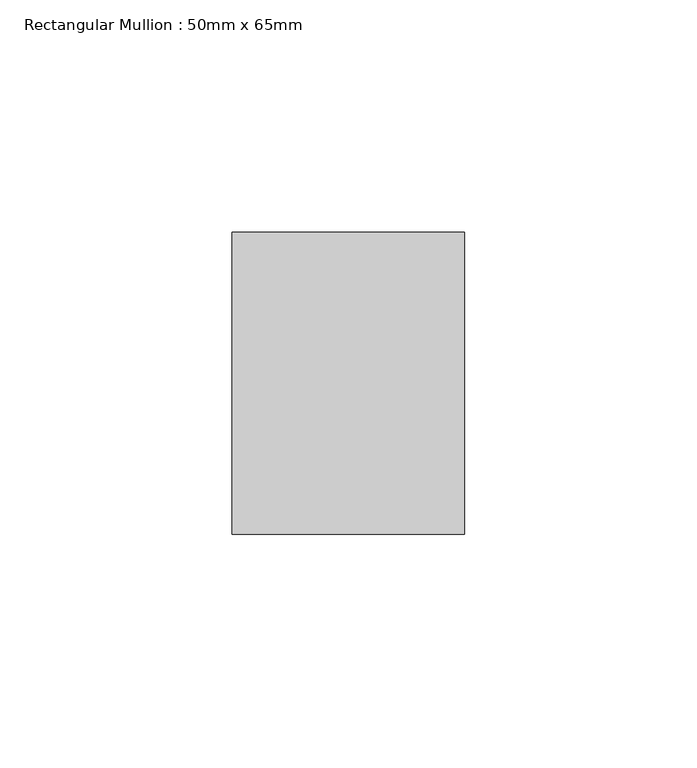
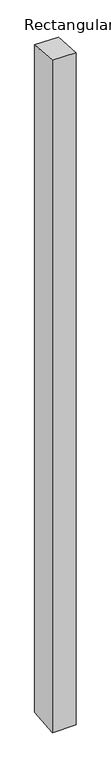
"""IFC4 building model written with IfcOpenShell, lengths in millimetres: member geometry, Rectangular Mullion : 50mm x 65mm."""

from ifc_helpers import new_model, si_unit, origin, place, context, project, spatial, faceted_brep, source, transform, mapped, element, save


def rectangular_mullion_50mm_x_65mm_3984ca22(model_context):
    return source(origin(), model_context, "Body", "Brep", [
        faceted_brep([(-25.0, 32.5, -2.4319525), (25.0, 32.5, -2.431946), (25.0, 32.5, -1497.0086972), (-25.0, 32.5, -1497.0086892), (-25.0, -32.5, 2.431946), (-25.0, -32.5, -1502.9909992), (25.0, -32.5, 2.4319525), (25.0, -32.5, -1502.9910072)], [[[0, 1, 2, 3]], [[4, 0, 3, 5]], [[6, 4, 5, 7]], [[1, 6, 7, 2]], [[1, 0, 4, 6]], [[2, 7, 5, 3]]]),
    ])


if __name__ == "__main__":
    model = new_model("IFC4")
    model_context = context("Model", 3, world=origin())
    ifc_project = project(units=[si_unit("LENGTHUNIT", "METRE", prefix="MILLI")], contexts=[model_context])
    site = spatial("IfcSite", under=ifc_project)
    building = spatial("IfcBuilding", under=site)
    placement = place(None, origin())
    rectangular_mullion_50mm_x_65mm_shape = rectangular_mullion_50mm_x_65mm_3984ca22(model_context)
    element("IfcMember", 1, ObjectType="Rectangular Mullion : 50mm x 65mm", at=placement, inside=building, context=model_context, shape_type="MappedRepresentation", body=[
        mapped(rectangular_mullion_50mm_x_65mm_shape, transform((0.0, 0.0, 0.0), x_axis=(1.0, 0.0, 0.0), y_axis=(0.0, 1.0, 0.0), z_axis=(0.0, 0.0, 1.0))),
    ])
    save(model, "model.ifc")
